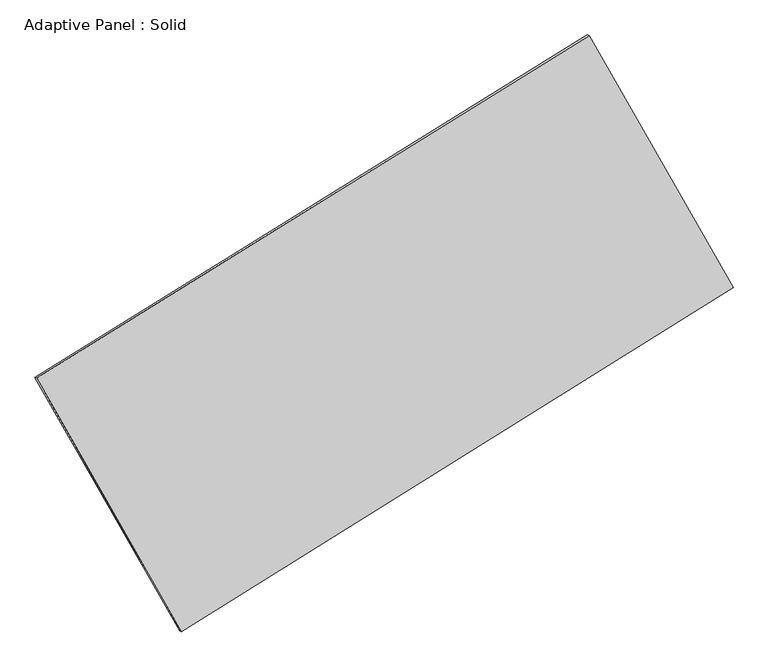
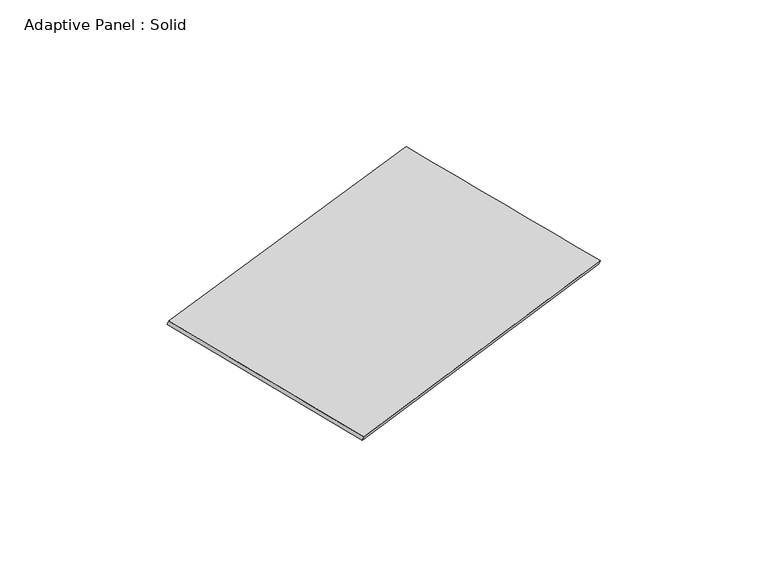
"""IFC4 building model written with IfcOpenShell, lengths in millimetres: plate geometry, Adaptive Panel : Solid."""

from ifc_helpers import new_model, si_unit, frame, origin, place, context, project, spatial, source, transform, mapped, element, save
from ifc_brep_helpers import plane_surface, spline_surface, advanced_brep


def adaptive_panel_solid_7fc160e0(model_context):
    return source(origin(), model_context, "Body", "AdvancedBrep", [
        advanced_brep(
        [(1162.8752463, 2547.680824, 661.3779881), (-3747.7510972, -499.6683299, 1781.2014709), (-3733.0847414, -506.0484234, 1828.5743789), (1177.5416021, 2541.3007305, 708.7508961), (-2462.0844807, -2754.6383395, 1069.5723758), (-2447.4181248, -2761.0184329, 1116.9452838), (2443.6697535, 306.3772725, -27.0293145), (2458.3361093, 299.997179, 20.3435935)],
        [
            (0, 1),
            (1, 2),
            (2, 3),
            (3, 0),
            (1, 4),
            (4, 5),
            (5, 2),
            (4, 6),
            (6, 7),
            (7, 5),
            (6, 0),
            (3, 7),
        ],
        [
            plane_surface(frame((-1292.4379255, 1024.006247, 1221.2897295), z_axis=(-0.4661854828965649, 0.8461441098998869, 0.2582851927970802), x_axis=(-0.8341736949841463, -0.5176566746944047, 0.19022569158982666))),
            plane_surface(frame((-3104.9177889, -1627.1533347, 1425.3869233), z_axis=(-0.8275301424383791, -0.5301344975722211, 0.1848006435047368), x_axis=(0.47767424022262284, -0.8378074627955437, -0.2643973818172821))),
            plane_surface(frame((-9.2073636, -1224.1305335, 521.2715306), z_axis=(0.46899543397800353, -0.8443955820407782, -0.25891964764729547), x_axis=(0.8335362962364593, 0.5200969094945369, -0.18632350251816598))),
            plane_surface(frame((1803.2724999, 1427.0290483, 317.1743368), z_axis=(0.8277232570395021, 0.5297961706854398, -0.18490599580046801), x_axis=(-0.47939980520979936, 0.8389171564589121, 0.2576700047807267))),
            spline_surface(1, 1, [[(-3733.0847414, -506.0484234, 1828.5743789), (1177.5416021, 2541.3007305, 708.7508961)], [(-2447.4181248, -2761.0184329, 1116.9452838), (2458.3361093, 299.997179, 20.3435935)]], [2, 2], [2, 2], [0.0, 1.0], [0.0, 1.0]),
            spline_surface(1, 1, [[(2443.6697535, 306.3772725, -27.0293145), (1162.8752463, 2547.680824, 661.3779881)], [(-2462.0844807, -2754.6383395, 1069.5723758), (-3747.7510972, -499.6683299, 1781.2014709)]], [2, 2], [2, 2], [0.0, 1.0], [0.0, 1.0]),
        ],
        [
            (0, [[1, 2, 3, 4]]),
            (1, [[5, 6, 7, -2]]),
            (2, [[8, 9, 10, -6]]),
            (3, [[11, -4, 12, -9]]),
            (4, [[-3, -7, -10, -12]]),
            (5, [[-11, -8, -5, -1]]),
        ],
    ),
    ])


if __name__ == "__main__":
    model = new_model("IFC4")
    model_context = context("Model", 3, world=origin())
    ifc_project = project(units=[si_unit("LENGTHUNIT", "METRE", prefix="MILLI")], contexts=[model_context])
    site = spatial("IfcSite", under=ifc_project)
    building = spatial("IfcBuilding", under=site)
    placement = place(None, origin())
    adaptive_panel_solid_shape = adaptive_panel_solid_7fc160e0(model_context)
    element("IfcPlate", 1, ObjectType="Adaptive Panel : Solid", at=placement, inside=building, context=model_context, shape_type="MappedRepresentation", body=[
        mapped(adaptive_panel_solid_shape, transform((0.0, 0.0, 0.0), x_axis=(1.0, 0.0, 0.0), y_axis=(0.0, 1.0, 0.0), z_axis=(0.0, 0.0, 1.0))),
    ])
    save(model, "model.ifc")
